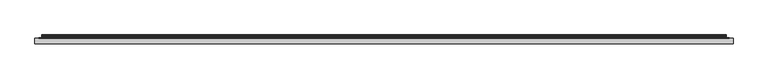
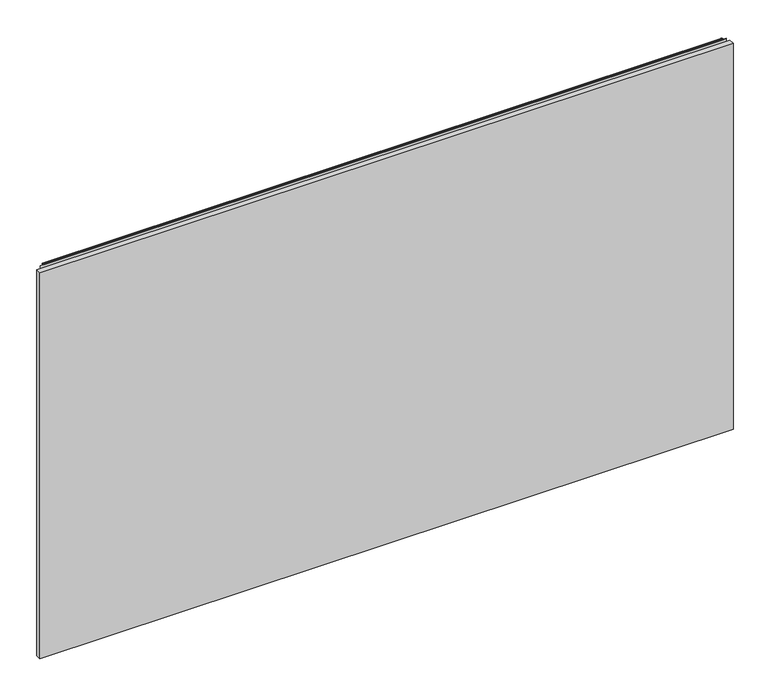
"""IFC4 building model written with IfcOpenShell, lengths in millimetres: furniture geometry."""

from ifc_helpers import new_model, si_unit, point, frame, frame_2d, origin, place, context, project, spatial, polyline, circle_curve, trimmed, segment, composite_curve, outline, extrude, source, transform, mapped, element, save


def furniture_9e80318c(model_context):
    return source(origin(), model_context, "Body", "SweptSolid", [
        extrude(outline(polyline([(1.778, 1.45288), (1.778, 10.9778796), (1217.4219835, 10.9778796), (1217.4219835, 1.45288), (1.778, 1.45288)])), frame((0.0, 0.0, 14.8336), z_axis=(0.0, 0.0, 1.0), x_axis=(1.0, 0.0, 0.0)), (0.0, 0.0, 1.0), 715.7592871),
        extrude(outline(composite_curve([segment(polyline([(10.9778796, 735.0189024), (10.9778796, 735.9613903)]), True, "CONTINUOUS"), segment(trimmed(circle_curve(frame_2d((11.6164846, 735.9613903)), 0.638605), [point((10.9778796, 735.9613903))], [point((11.6164846, 736.5999953))], False, "CARTESIAN"), True, "CONTINUOUS"), segment(polyline([(11.6164846, 736.5999953), (13.251317, 736.5999953)]), True, "CONTINUOUS"), segment(trimmed(circle_curve(frame_2d((13.251317, 734.2266753)), 2.37332), [point((13.251317, 736.5999953))], [point((15.6071079, 733.9387575))], False, "CARTESIAN"), True, "CONTINUOUS"), segment(polyline([(15.6071079, 733.9387575), (15.2080413, 730.6735287)]), True, "CONTINUOUS"), segment(trimmed(circle_curve(frame_2d((17.5068753, 730.3925719)), 2.3159393), [point((15.2080413, 730.6735287))], [point((15.5012134, 729.2346018))], True, "CARTESIAN"), True, "CONTINUOUS"), segment(polyline([(15.5012134, 729.2346018), (16.6600675, 727.2274087), (15.9781592, 726.8337085), (14.819305, 728.8409016)]), True, "CONTINUOUS"), segment(trimmed(circle_curve(frame_2d((17.5068753, 730.3925719)), 3.1033393), [point((14.819305, 728.8409016))], [point((14.4264569, 730.7690516))], False, "CARTESIAN"), True, "CONTINUOUS"), segment(polyline([(14.4264569, 730.7690516), (14.8255236, 734.0342804)]), True, "CONTINUOUS"), segment(trimmed(circle_curve(frame_2d((13.251317, 734.2266753)), 1.58592), [point((14.8255236, 734.0342804))], [point((13.251317, 735.8125953))], True, "CARTESIAN"), True, "CONTINUOUS"), segment(polyline([(13.251317, 735.8125953), (11.7652796, 735.8125953), (11.7652796, 735.0189024), (10.9778796, 735.0189024)]), True, "CONTINUOUS")], self_intersect=False)), frame((13.7160002, 0.0, 0.0), z_axis=(1.0, 0.0, 0.0), x_axis=(0.0, 1.0, 0.0)), (0.0, 0.0, 1.0), 1191.7680076),
        extrude(outline(polyline([(8.1280002, 10.9778796), (8.1280002, 11.7652796), (1211.0720078, 11.7652796), (1211.0720078, 10.9778796), (8.1280002, 10.9778796)])), frame((0.0, 0.0, 704.3420079), z_axis=(0.0, 0.0, 1.0), x_axis=(1.0, 0.0, 0.0)), (0.0, 0.0, 1.0), 30.8009179),
    ])


if __name__ == "__main__":
    model = new_model("IFC4")
    model_context = context("Model", 3, world=origin())
    ifc_project = project(units=[si_unit("LENGTHUNIT", "METRE", prefix="MILLI")], contexts=[model_context])
    site = spatial("IfcSite", under=ifc_project)
    building = spatial("IfcBuilding", under=site)
    placement = place(None, origin())
    furniture_shape = furniture_9e80318c(model_context)
    element("IfcFurniture", 1, at=placement, inside=building, context=model_context, shape_type="MappedRepresentation", body=[
        mapped(furniture_shape, transform((0.0, 0.0, 0.0), x_axis=(1.0, 0.0, 0.0), y_axis=(0.0, 1.0, 0.0), z_axis=(0.0, 0.0, 1.0))),
    ])
    save(model, "model.ifc")
